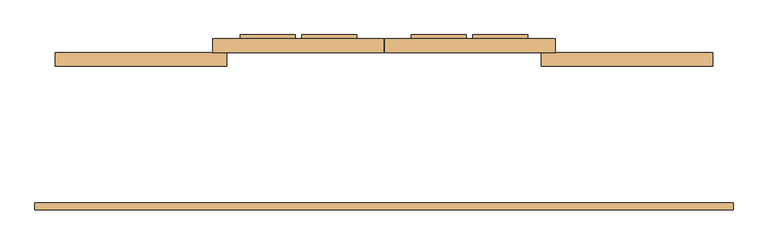
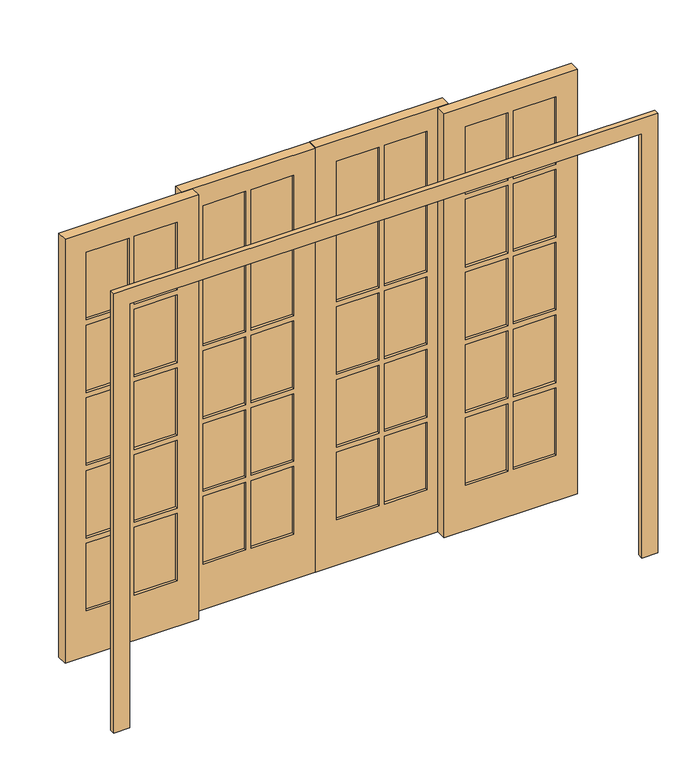
"""IFC4 building model written with IfcOpenShell, lengths in millimetres: door geometry."""

from ifc_helpers import new_model, si_unit, frame, origin, place, context, project, spatial, polyline, outline, extrude, source, transform, mapped, element, save


def door_0279b6b3(model_context):
    return source(origin(), model_context, "Body", "SweptSolid", [
        extrude(outline(polyline([(914.4, 444.2293121), (1117.6, 444.2293121), (1117.6, 419.6534681), (914.4, 419.6534681), (914.4, 444.2293121)])), frame((0.0, 0.0, 1691.64), z_axis=(0.0, 0.0, 1.0), x_axis=(1.0, 0.0, 0.0)), (0.0, 0.0, 1.0), 340.36),
        extrude(outline(polyline([(685.8, 444.2293121), (889.0, 444.2293121), (889.0, 419.6534681), (685.8, 419.6534681), (685.8, 444.2293121)])), frame((0.0, 0.0, 1691.64), z_axis=(0.0, 0.0, 1.0), x_axis=(1.0, 0.0, 0.0)), (0.0, 0.0, 1.0), 340.36),
        extrude(outline(polyline([(914.4, 444.2293121), (1117.6, 444.2293121), (1117.6, 419.6534681), (914.4, 419.6534681), (914.4, 444.2293121)])), frame((0.0, 0.0, 1325.88), z_axis=(0.0, 0.0, 1.0), x_axis=(1.0, 0.0, 0.0)), (0.0, 0.0, 1.0), 340.36),
        extrude(outline(polyline([(685.8, 444.2293121), (889.0, 444.2293121), (889.0, 419.6534681), (685.8, 419.6534681), (685.8, 444.2293121)])), frame((0.0, 0.0, 1325.88), z_axis=(0.0, 0.0, 1.0), x_axis=(1.0, 0.0, 0.0)), (0.0, 0.0, 1.0), 340.36),
        extrude(outline(polyline([(914.4, 444.2293121), (1117.6, 444.2293121), (1117.6, 419.6534681), (914.4, 419.6534681), (914.4, 444.2293121)])), frame((0.0, 0.0, 960.12), z_axis=(0.0, 0.0, 1.0), x_axis=(1.0, 0.0, 0.0)), (0.0, 0.0, 1.0), 340.36),
        extrude(outline(polyline([(685.8, 444.2293121), (889.0, 444.2293121), (889.0, 419.6534681), (685.8, 419.6534681), (685.8, 444.2293121)])), frame((0.0, 0.0, 960.12), z_axis=(0.0, 0.0, 1.0), x_axis=(1.0, 0.0, 0.0)), (0.0, 0.0, 1.0), 340.36),
        extrude(outline(polyline([(914.4, 444.2293121), (1117.6, 444.2293121), (1117.6, 419.6534681), (914.4, 419.6534681), (914.4, 444.2293121)])), frame((0.0, 0.0, 594.36), z_axis=(0.0, 0.0, 1.0), x_axis=(1.0, 0.0, 0.0)), (0.0, 0.0, 1.0), 340.36),
        extrude(outline(polyline([(685.8, 444.2293121), (889.0, 444.2293121), (889.0, 419.6534681), (685.8, 419.6534681), (685.8, 444.2293121)])), frame((0.0, 0.0, 594.36), z_axis=(0.0, 0.0, 1.0), x_axis=(1.0, 0.0, 0.0)), (0.0, 0.0, 1.0), 340.36),
        extrude(outline(polyline([(914.4, 444.2293121), (1117.6, 444.2293121), (1117.6, 419.6534681), (914.4, 419.6534681), (914.4, 444.2293121)])), frame((0.0, 0.0, 228.6), z_axis=(0.0, 0.0, 1.0), x_axis=(1.0, 0.0, 0.0)), (0.0, 0.0, 1.0), 340.36),
        extrude(outline(polyline([(685.8, 444.2293121), (889.0, 444.2293121), (889.0, 419.6534681), (685.8, 419.6534681), (685.8, 444.2293121)])), frame((0.0, 0.0, 228.6), z_axis=(0.0, 0.0, 1.0), x_axis=(1.0, 0.0, 0.0)), (0.0, 0.0, 1.0), 340.36),
        extrude(outline(polyline([(-889.0, 444.2293121), (-685.8, 444.2293121), (-685.8, 419.6534681), (-889.0, 419.6534681), (-889.0, 444.2293121)])), frame((0.0, 0.0, 1691.64), z_axis=(0.0, 0.0, 1.0), x_axis=(1.0, 0.0, 0.0)), (0.0, 0.0, 1.0), 340.36),
        extrude(outline(polyline([(-1117.6, 444.2293121), (-914.4, 444.2293121), (-914.4, 419.6534681), (-1117.6, 419.6534681), (-1117.6, 444.2293121)])), frame((0.0, 0.0, 1691.64), z_axis=(0.0, 0.0, 1.0), x_axis=(1.0, 0.0, 0.0)), (0.0, 0.0, 1.0), 340.36),
        extrude(outline(polyline([(-889.0, 444.2293121), (-685.8, 444.2293121), (-685.8, 419.6534681), (-889.0, 419.6534681), (-889.0, 444.2293121)])), frame((0.0, 0.0, 1325.88), z_axis=(0.0, 0.0, 1.0), x_axis=(1.0, 0.0, 0.0)), (0.0, 0.0, 1.0), 340.36),
        extrude(outline(polyline([(-1117.6, 444.2293121), (-914.4, 444.2293121), (-914.4, 419.6534681), (-1117.6, 419.6534681), (-1117.6, 444.2293121)])), frame((0.0, 0.0, 1325.88), z_axis=(0.0, 0.0, 1.0), x_axis=(1.0, 0.0, 0.0)), (0.0, 0.0, 1.0), 340.36),
        extrude(outline(polyline([(-889.0, 444.2293121), (-685.8, 444.2293121), (-685.8, 419.6534681), (-889.0, 419.6534681), (-889.0, 444.2293121)])), frame((0.0, 0.0, 960.12), z_axis=(0.0, 0.0, 1.0), x_axis=(1.0, 0.0, 0.0)), (0.0, 0.0, 1.0), 340.36),
        extrude(outline(polyline([(-1117.6, 444.2293121), (-914.4, 444.2293121), (-914.4, 419.6534681), (-1117.6, 419.6534681), (-1117.6, 444.2293121)])), frame((0.0, 0.0, 960.12), z_axis=(0.0, 0.0, 1.0), x_axis=(1.0, 0.0, 0.0)), (0.0, 0.0, 1.0), 340.36),
        extrude(outline(polyline([(-1117.6, 444.2293121), (-914.4, 444.2293121), (-914.4, 419.6534681), (-1117.6, 419.6534681), (-1117.6, 444.2293121)])), frame((0.0, 0.0, 594.36), z_axis=(0.0, 0.0, 1.0), x_axis=(1.0, 0.0, 0.0)), (0.0, 0.0, 1.0), 340.36),
        extrude(outline(polyline([(-889.0, 444.2293121), (-685.8, 444.2293121), (-685.8, 419.6534681), (-889.0, 419.6534681), (-889.0, 444.2293121)])), frame((0.0, 0.0, 594.36), z_axis=(0.0, 0.0, 1.0), x_axis=(1.0, 0.0, 0.0)), (0.0, 0.0, 1.0), 340.36),
        extrude(outline(polyline([(-1117.6, 444.2293121), (-914.4, 444.2293121), (-914.4, 419.6534681), (-1117.6, 419.6534681), (-1117.6, 444.2293121)])), frame((0.0, 0.0, 228.6), z_axis=(0.0, 0.0, 1.0), x_axis=(1.0, 0.0, 0.0)), (0.0, 0.0, 1.0), 340.36),
        extrude(outline(polyline([(-889.0, 444.2293121), (-685.8, 444.2293121), (-685.8, 419.6534681), (-889.0, 419.6534681), (-889.0, 444.2293121)])), frame((0.0, 0.0, 228.6), z_axis=(0.0, 0.0, 1.0), x_axis=(1.0, 0.0, 0.0)), (0.0, 0.0, 1.0), 340.36),
        extrude(outline(polyline([(-101.6, 469.9), (-304.8, 469.9), (-304.8, 522.9288552), (-101.6, 522.9288552), (-101.6, 469.9)])), frame((0.0, 0.0, 1691.64), z_axis=(0.0, 0.0, 1.0), x_axis=(1.0, 0.0, 0.0)), (0.0, 0.0, 1.0), 340.36),
        extrude(outline(polyline([(-330.2, 469.9), (-533.4, 469.9), (-533.4, 522.9288552), (-330.2, 522.9288552), (-330.2, 469.9)])), frame((0.0, 0.0, 1691.64), z_axis=(0.0, 0.0, 1.0), x_axis=(1.0, 0.0, 0.0)), (0.0, 0.0, 1.0), 340.36),
        extrude(outline(polyline([(-330.2, 469.9), (-533.4, 469.9), (-533.4, 522.9288552), (-330.2, 522.9288552), (-330.2, 469.9)])), frame((0.0, 0.0, 1325.88), z_axis=(0.0, 0.0, 1.0), x_axis=(1.0, 0.0, 0.0)), (0.0, 0.0, 1.0), 340.36),
        extrude(outline(polyline([(-101.6, 469.9), (-304.8, 469.9), (-304.8, 522.9288552), (-101.6, 522.9288552), (-101.6, 469.9)])), frame((0.0, 0.0, 1325.88), z_axis=(0.0, 0.0, 1.0), x_axis=(1.0, 0.0, 0.0)), (0.0, 0.0, 1.0), 340.36),
        extrude(outline(polyline([(-330.2, 469.9), (-533.4, 469.9), (-533.4, 522.9288552), (-330.2, 522.9288552), (-330.2, 469.9)])), frame((0.0, 0.0, 960.12), z_axis=(0.0, 0.0, 1.0), x_axis=(1.0, 0.0, 0.0)), (0.0, 0.0, 1.0), 340.36),
        extrude(outline(polyline([(-101.6, 469.9), (-304.8, 469.9), (-304.8, 522.9288552), (-101.6, 522.9288552), (-101.6, 469.9)])), frame((0.0, 0.0, 960.12), z_axis=(0.0, 0.0, 1.0), x_axis=(1.0, 0.0, 0.0)), (0.0, 0.0, 1.0), 340.36),
        extrude(outline(polyline([(-330.2, 469.9), (-533.4, 469.9), (-533.4, 522.9288552), (-330.2, 522.9288552), (-330.2, 469.9)])), frame((0.0, 0.0, 594.36), z_axis=(0.0, 0.0, 1.0), x_axis=(1.0, 0.0, 0.0)), (0.0, 0.0, 1.0), 340.36),
        extrude(outline(polyline([(-101.6, 469.9), (-304.8, 469.9), (-304.8, 522.9288552), (-101.6, 522.9288552), (-101.6, 469.9)])), frame((0.0, 0.0, 594.36), z_axis=(0.0, 0.0, 1.0), x_axis=(1.0, 0.0, 0.0)), (0.0, 0.0, 1.0), 340.36),
        extrude(outline(polyline([(-330.2, 469.9), (-533.4, 469.9), (-533.4, 522.9288552), (-330.2, 522.9288552), (-330.2, 469.9)])), frame((0.0, 0.0, 228.6), z_axis=(0.0, 0.0, 1.0), x_axis=(1.0, 0.0, 0.0)), (0.0, 0.0, 1.0), 340.36),
        extrude(outline(polyline([(-101.6, 469.9), (-304.8, 469.9), (-304.8, 522.9288552), (-101.6, 522.9288552), (-101.6, 469.9)])), frame((0.0, 0.0, 228.6), z_axis=(0.0, 0.0, 1.0), x_axis=(1.0, 0.0, 0.0)), (0.0, 0.0, 1.0), 340.36),
        extrude(outline(polyline([(533.4, 469.9), (330.2, 469.9), (330.2, 522.9288552), (533.4, 522.9288552), (533.4, 469.9)])), frame((0.0, 0.0, 1691.64), z_axis=(0.0, 0.0, 1.0), x_axis=(1.0, 0.0, 0.0)), (0.0, 0.0, 1.0), 340.36),
        extrude(outline(polyline([(304.8, 469.9), (101.6, 469.9), (101.6, 522.9288552), (304.8, 522.9288552), (304.8, 469.9)])), frame((0.0, 0.0, 1691.64), z_axis=(0.0, 0.0, 1.0), x_axis=(1.0, 0.0, 0.0)), (0.0, 0.0, 1.0), 340.36),
        extrude(outline(polyline([(304.8, 469.9), (101.6, 469.9), (101.6, 522.9288552), (304.8, 522.9288552), (304.8, 469.9)])), frame((0.0, 0.0, 1325.88), z_axis=(0.0, 0.0, 1.0), x_axis=(1.0, 0.0, 0.0)), (0.0, 0.0, 1.0), 340.36),
        extrude(outline(polyline([(533.4, 469.9), (330.2, 469.9), (330.2, 522.9288552), (533.4, 522.9288552), (533.4, 469.9)])), frame((0.0, 0.0, 1325.88), z_axis=(0.0, 0.0, 1.0), x_axis=(1.0, 0.0, 0.0)), (0.0, 0.0, 1.0), 340.36),
        extrude(outline(polyline([(304.8, 469.9), (101.6, 469.9), (101.6, 522.9288552), (304.8, 522.9288552), (304.8, 469.9)])), frame((0.0, 0.0, 960.12), z_axis=(0.0, 0.0, 1.0), x_axis=(1.0, 0.0, 0.0)), (0.0, 0.0, 1.0), 340.36),
        extrude(outline(polyline([(533.4, 469.9), (330.2, 469.9), (330.2, 522.9288552), (533.4, 522.9288552), (533.4, 469.9)])), frame((0.0, 0.0, 960.12), z_axis=(0.0, 0.0, 1.0), x_axis=(1.0, 0.0, 0.0)), (0.0, 0.0, 1.0), 340.36),
        extrude(outline(polyline([(533.4, 469.9), (330.2, 469.9), (330.2, 522.9288552), (533.4, 522.9288552), (533.4, 469.9)])), frame((0.0, 0.0, 594.36), z_axis=(0.0, 0.0, 1.0), x_axis=(1.0, 0.0, 0.0)), (0.0, 0.0, 1.0), 340.36),
        extrude(outline(polyline([(304.8, 469.9), (101.6, 469.9), (101.6, 522.9288552), (304.8, 522.9288552), (304.8, 469.9)])), frame((0.0, 0.0, 594.36), z_axis=(0.0, 0.0, 1.0), x_axis=(1.0, 0.0, 0.0)), (0.0, 0.0, 1.0), 340.36),
        extrude(outline(polyline([(304.8, 469.9), (101.6, 469.9), (101.6, 522.9288552), (304.8, 522.9288552), (304.8, 469.9)])), frame((0.0, 0.0, 228.6), z_axis=(0.0, 0.0, 1.0), x_axis=(1.0, 0.0, 0.0)), (0.0, 0.0, 1.0), 340.36),
        extrude(outline(polyline([(533.4, 469.9), (330.2, 469.9), (330.2, 522.9288552), (533.4, 522.9288552), (533.4, 469.9)])), frame((0.0, 0.0, 228.6), z_axis=(0.0, 0.0, 1.0), x_axis=(1.0, 0.0, 0.0)), (0.0, 0.0, 1.0), 340.36),
        extrude(outline(polyline([(2133.6, -635.0), (0.0, -635.0), (0.0, 0.0), (2133.6, 0.0), (2133.6, -635.0)]), holes=[polyline([(2032.0, -304.8), (2032.0, -101.6), (1691.64, -101.6), (1691.64, -304.8), (2032.0, -304.8)]), polyline([(568.96, -101.6), (228.6, -101.6), (228.6, -304.8), (568.96, -304.8), (568.96, -101.6)]), polyline([(1666.24, -101.6), (1325.88, -101.6), (1325.88, -304.8), (1666.24, -304.8), (1666.24, -101.6)]), polyline([(1691.64, -330.2), (1691.64, -533.4), (2032.0, -533.4), (2032.0, -330.2), (1691.64, -330.2)]), polyline([(1666.24, -330.2), (1325.88, -330.2), (1325.88, -533.4), (1666.24, -533.4), (1666.24, -330.2)]), polyline([(1300.48, -330.2), (960.12, -330.2), (960.12, -533.4), (1300.48, -533.4), (1300.48, -330.2)]), polyline([(1300.48, -101.6), (960.12, -101.6), (960.12, -304.8), (1300.48, -304.8), (1300.48, -101.6)]), polyline([(934.72, -330.2), (594.36, -330.2), (594.36, -533.4), (934.72, -533.4), (934.72, -330.2)]), polyline([(934.72, -101.6), (594.36, -101.6), (594.36, -304.8), (934.72, -304.8), (934.72, -101.6)]), polyline([(228.6, -330.2), (228.6, -533.4), (568.96, -533.4), (568.96, -330.2), (228.6, -330.2)])]), frame((0.0, 457.2, 0.0), z_axis=(0.0, 1.0, 0.0), x_axis=(0.0, 0.0, 1.0)), (0.0, 0.0, 1.0), 50.8),
        extrude(outline(polyline([(2133.6, 3.175), (0.0, 3.175), (0.0, 635.0), (2133.6, 635.0), (2133.6, 3.175)]), holes=[polyline([(1691.64, 330.2), (2032.0, 330.2), (2032.0, 533.4), (1691.64, 533.4), (1691.64, 330.2)]), polyline([(568.96, 304.8), (228.6, 304.8), (228.6, 101.6), (568.96, 101.6), (568.96, 304.8)]), polyline([(1691.64, 101.6), (2032.0, 101.6), (2032.0, 304.8), (1691.64, 304.8), (1691.64, 101.6)]), polyline([(1666.24, 101.6), (1666.24, 304.8), (1325.88, 304.8), (1325.88, 101.6), (1666.24, 101.6)]), polyline([(1666.24, 533.4), (1325.88, 533.4), (1325.88, 330.2), (1666.24, 330.2), (1666.24, 533.4)]), polyline([(1300.48, 101.6), (1300.48, 304.8), (960.12, 304.8), (960.12, 101.6), (1300.48, 101.6)]), polyline([(1300.48, 533.4), (960.12, 533.4), (960.12, 330.2), (1300.48, 330.2), (1300.48, 533.4)]), polyline([(934.72, 101.6), (934.72, 304.8), (594.36, 304.8), (594.36, 101.6), (934.72, 101.6)]), polyline([(934.72, 533.4), (594.36, 533.4), (594.36, 330.2), (934.72, 330.2), (934.72, 533.4)]), polyline([(568.96, 533.4), (228.6, 533.4), (228.6, 330.2), (568.96, 330.2), (568.96, 533.4)])]), frame((0.0, 457.2, 0.0), z_axis=(0.0, 1.0, 0.0), x_axis=(0.0, 0.0, 1.0)), (0.0, 0.0, 1.0), 50.8),
        extrude(outline(polyline([(2133.6, 584.2), (0.0, 584.2), (0.0, 1219.2), (2133.6, 1219.2), (2133.6, 584.2)]), holes=[polyline([(2032.0, 914.4), (2032.0, 1117.6), (1691.64, 1117.6), (1691.64, 914.4), (2032.0, 914.4)]), polyline([(568.96, 1117.6), (228.6, 1117.6), (228.6, 914.4), (568.96, 914.4), (568.96, 1117.6)]), polyline([(1666.24, 914.4), (1666.24, 1117.6), (1325.88, 1117.6), (1325.88, 914.4), (1666.24, 914.4)]), polyline([(1300.48, 914.4), (1300.48, 1117.6), (960.12, 1117.6), (960.12, 914.4), (1300.48, 914.4)]), polyline([(594.36, 914.4), (934.72, 914.4), (934.72, 1117.6), (594.36, 1117.6), (594.36, 914.4)]), polyline([(960.12, 889.0), (960.12, 685.8), (1300.48, 685.8), (1300.48, 889.0), (960.12, 889.0)]), polyline([(934.72, 889.0), (594.36, 889.0), (594.36, 685.8), (934.72, 685.8), (934.72, 889.0)]), polyline([(228.6, 889.0), (228.6, 685.8), (568.96, 685.8), (568.96, 889.0), (228.6, 889.0)]), polyline([(1691.64, 685.8), (2032.0, 685.8), (2032.0, 889.0), (1691.64, 889.0), (1691.64, 685.8)]), polyline([(1325.88, 685.8), (1666.24, 685.8), (1666.24, 889.0), (1325.88, 889.0), (1325.88, 685.8)])]), frame((0.0, 406.4, 0.0), z_axis=(0.0, 1.0, 0.0), x_axis=(0.0, 0.0, 1.0)), (0.0, 0.0, 1.0), 50.8),
        extrude(outline(polyline([(2133.6, -1219.2), (0.0, -1219.2), (0.0, -584.2), (2133.6, -584.2), (2133.6, -1219.2)]), holes=[polyline([(2032.0, -889.0), (2032.0, -685.8), (1691.64, -685.8), (1691.64, -889.0), (2032.0, -889.0)]), polyline([(568.96, -685.8), (228.6, -685.8), (228.6, -889.0), (568.96, -889.0), (568.96, -685.8)]), polyline([(228.6, -914.4), (228.6, -1117.6), (568.96, -1117.6), (568.96, -914.4), (228.6, -914.4)]), polyline([(1691.64, -1117.6), (2032.0, -1117.6), (2032.0, -914.4), (1691.64, -914.4), (1691.64, -1117.6)]), polyline([(1666.24, -914.4), (1325.88, -914.4), (1325.88, -1117.6), (1666.24, -1117.6), (1666.24, -914.4)]), polyline([(1300.48, -914.4), (960.12, -914.4), (960.12, -1117.6), (1300.48, -1117.6), (1300.48, -914.4)]), polyline([(934.72, -914.4), (594.36, -914.4), (594.36, -1117.6), (934.72, -1117.6), (934.72, -914.4)]), polyline([(934.72, -685.8), (594.36, -685.8), (594.36, -889.0), (934.72, -889.0), (934.72, -685.8)]), polyline([(1300.48, -685.8), (960.12, -685.8), (960.12, -889.0), (1300.48, -889.0), (1300.48, -685.8)]), polyline([(1666.24, -685.8), (1325.88, -685.8), (1325.88, -889.0), (1666.24, -889.0), (1666.24, -685.8)])]), frame((0.0, 406.4, 0.0), z_axis=(0.0, 1.0, 0.0), x_axis=(0.0, 0.0, 1.0)), (0.0, 0.0, 1.0), 50.8),
        extrude(outline(polyline([(2133.6, -1219.2), (2133.6, 1219.2), (0.0, 1219.2), (0.0, 1295.4), (2209.8, 1295.4), (2209.8, -1295.4), (0.0, -1295.4), (0.0, -1219.2), (2133.6, -1219.2)])), frame((0.0, -127.0, 0.0), z_axis=(0.0, 1.0, 0.0), x_axis=(0.0, 0.0, 1.0)), (0.0, 0.0, 1.0), 25.4),
    ])


if __name__ == "__main__":
    model = new_model("IFC4")
    model_context = context("Model", 3, world=origin())
    ifc_project = project(units=[si_unit("LENGTHUNIT", "METRE", prefix="MILLI")], contexts=[model_context])
    site = spatial("IfcSite", under=ifc_project)
    building = spatial("IfcBuilding", under=site)
    placement = place(None, origin())
    door_shape = door_0279b6b3(model_context)
    element("IfcDoor", 1, at=placement, inside=building, context=model_context, shape_type="MappedRepresentation", body=[
        mapped(door_shape, transform((0.0, 0.0, 0.0), x_axis=(1.0, 0.0, 0.0), y_axis=(0.0, 1.0, 0.0), z_axis=(0.0, 0.0, 1.0))),
    ])
    save(model, "model.ifc")
